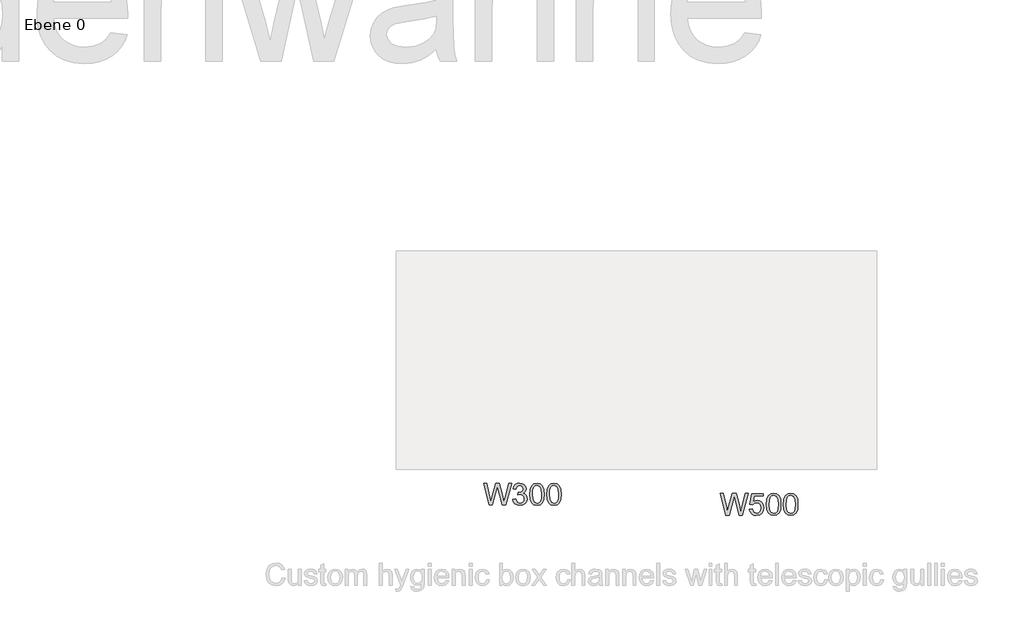
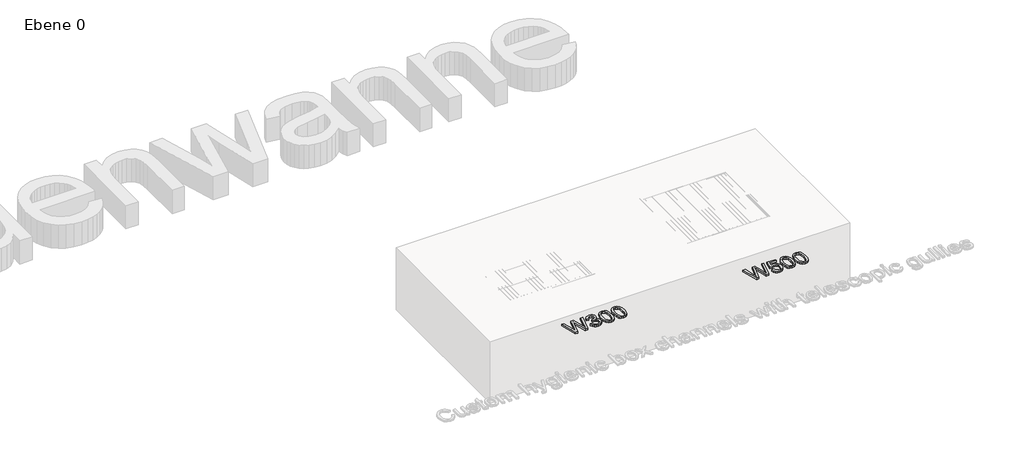
# One storey, part 4 of 4: 2 proxies.
"""IFC4 building model written with IfcOpenShell, lengths in millimetres."""

from ifc_helpers import new_model, si_unit, origin, origin_with_axes, place, context, project, spatial, polyline, outline, extrude, element, save

model = new_model("IFC4")

# Units and contexts
model_context = context("Model", 3, world=origin())
ifc_project = project(units=[si_unit("LENGTHUNIT", "METRE", prefix="MILLI")], contexts=[model_context])

# Site, building, storey
site = spatial("IfcSite", under=ifc_project)
building = spatial("IfcBuilding", under=site)
storey = spatial("IfcBuildingStorey", under=building, Name="Ebene 0", Elevation=0.0)

# Proxies
placement = place(None, origin())
element("IfcBuildingElementProxy", 1, Name="100mm ACO", ObjectType="100mm ACO", at=placement, inside=storey, context=model_context, shape_type="SweptSolid", body=[
    extrude(outline(polyline([(7974.0697501, -4008.1587209), (7947.9123427, -4108.1587209), (7932.0558612, -4108.1587209), (7912.177389, -4029.3103413), (7910.1808612, -4020.1089524), (7907.171602, -4031.9723783), (7886.2225279, -4108.1587209), (7872.333639, -4108.1587209), (7846.2919724, -4008.1587209), (7859.6021575, -4008.1587209), (7874.7352594, -4073.8415913), (7878.5547038, -4092.8230727), (7883.2132687, -4075.6645079), (7902.0790094, -4008.1587209), (7918.427389, -4008.1587209), (7932.1137316, -4058.7663598), (7939.5500742, -4094.269832), (7944.671602, -4072.4816376), (7960.7016946, -4008.1587209), (7974.0697501, -4008.1587209)])), origin_with_axes(), (0.0, 0.0, 1.0), 10.0),
    extrude(outline(polyline([(8027.1079446, -4054.5562903), (8035.437661, -4057.7934142), (8041.4453288, -4063.5840681), (8046.2919724, -4079.107795), (8043.7673774, -4091.4160994), (8036.1935927, -4101.3155496), (8025.104183, -4107.836817), (8012.0327131, -4110.0105727), (7999.7533439, -4108.0936167), (7989.8249585, -4102.3427487), (7982.8985985, -4093.4451792), (7979.6253057, -4082.088119), (7992.5882687, -4080.3809431), (7999.4169724, -4095.6731885), (8012.4667409, -4100.7513135), (8020.5360406, -4099.2249825), (8027.2670881, -4094.6459894), (8031.8135291, -4087.8534547), (8033.3290094, -4079.6864987), (8031.9075684, -4071.9282521), (8027.6432455, -4065.6095311), (8021.0858092, -4061.4103123), (8012.7850279, -4060.0105727), (8003.6993798, -4061.8624246), (8005.146139, -4050.7513135), (8013.0165094, -4050.2594153), (8019.4979909, -4047.857795), (8025.4297038, -4042.389045), (8027.7734538, -4033.5638135), (8022.9846807, -4021.6425172), (8011.8880372, -4017.4179802), (8000.1548196, -4022.2212209), (7994.4401205, -4035.9364987), (7981.4771575, -4033.7084894), (7985.3146865, -4022.5214234), (7992.0240325, -4014.5389292), (8000.9686217, -4009.753773), (8011.5118798, -4008.1587209), (8022.9774469, -4010.0503586), (8032.3741483, -4015.7252718), (8038.6458497, -4024.13456), (8040.7364168, -4034.2293227), (8037.3292987, -4046.295295), (8027.1079446, -4054.5562903)])), origin_with_axes(), (0.0, 0.0, 1.0), 10.0),
    extrude(outline(polyline([(8090.7074816, -4008.1587209), (8105.3034741, -4011.3452082), (8115.729183, -4020.90467), (8121.9846084, -4036.8371063), (8124.0697501, -4059.1425172), (8121.9140788, -4081.6143054), (8115.4470649, -4097.46717), (8104.9508265, -4106.8747221), (8090.7074816, -4110.0105727), (8076.1368074, -4106.8313193), (8065.729183, -4097.2935589), (8059.4846084, -4081.3972915), (8057.4030835, -4059.1425172), (8059.5587548, -4036.6743459), (8066.0257687, -4020.7744616), (8076.5075395, -4011.3126561), (8090.7074816, -4008.1587209)]), holes=[polyline([(8090.7364168, -4100.7513135), (8099.5761159, -4098.317141), (8105.9563242, -4091.0146237), (8109.8191714, -4078.1782521), (8111.1067872, -4059.1425172), (8108.8498427, -4034.9237672), (8102.0356066, -4021.7582579), (8090.5917409, -4017.4179802), (8081.7701263, -4019.8955554), (8075.4441714, -4027.3282811), (8071.6355777, -4040.2369906), (8070.3660464, -4059.1425172), (8072.6663937, -4083.2021237), (8079.4806298, -4096.4110357), (8090.7364168, -4100.7513135)])]), origin_with_axes(), (0.0, 0.0, 1.0), 10.0),
    extrude(outline(polyline([(8168.4852594, -4008.1587209), (8183.0812519, -4011.3452082), (8193.5069608, -4020.90467), (8199.7623861, -4036.8371063), (8201.8475279, -4059.1425172), (8199.6918566, -4081.6143054), (8193.2248427, -4097.46717), (8182.7286043, -4106.8747221), (8168.4852594, -4110.0105727), (8153.9145852, -4106.8313193), (8143.5069608, -4097.2935589), (8137.2623861, -4081.3972915), (8135.1808612, -4059.1425172), (8137.3365325, -4036.6743459), (8143.8035464, -4020.7744616), (8154.2853173, -4011.3126561), (8168.4852594, -4008.1587209)]), holes=[polyline([(8168.5141946, -4100.7513135), (8177.3538937, -4098.317141), (8183.734102, -4091.0146237), (8187.5969492, -4078.1782521), (8188.8845649, -4059.1425172), (8186.6276205, -4034.9237672), (8179.8133844, -4021.7582579), (8168.3695187, -4017.4179802), (8159.5479041, -4019.8955554), (8153.2219492, -4027.3282811), (8149.4133555, -4040.2369906), (8148.1438242, -4059.1425172), (8150.4441714, -4083.2021237), (8157.2584075, -4096.4110357), (8168.5141946, -4100.7513135)])]), origin_with_axes(), (0.0, 0.0, 1.0), 10.0),
])
element("IfcBuildingElementProxy", 2, Name="100mm ACO", ObjectType="100mm ACO", at=placement, inside=storey, context=model_context, shape_type="SweptSolid", body=[
    extrude(outline(polyline([(9057.2232013, -4054.4578725), (9031.0657939, -4154.4578725), (9015.2093124, -4154.4578725), (8995.3308402, -4075.6094928), (8993.3343124, -4066.4081039), (8990.3250531, -4078.2715299), (8969.375979, -4154.4578725), (8955.4870902, -4154.4578725), (8929.4454235, -4054.4578725), (8942.7556087, -4054.4578725), (8957.8887105, -4120.1407428), (8961.708155, -4139.1222243), (8966.3667198, -4121.9636595), (8985.2324605, -4054.4578725), (9001.5808402, -4054.4578725), (9015.2671828, -4105.0655114), (9022.7035253, -4140.5689836), (9027.8250531, -4118.7807891), (9043.8551457, -4054.4578725), (9057.2232013, -4054.4578725)])), origin_with_axes(), (0.0, 0.0, 1.0), 10.0),
    extrude(outline(polyline([(9080.2556087, -4092.3340299), (9098.9188031, -4087.7912058), (9110.4024547, -4090.0155982), (9120.3163726, -4096.6887752), (9127.1631608, -4107.065656), (9129.4454235, -4120.4011595), (9127.0763552, -4134.2394118), (9119.9691503, -4145.8351873), (9109.0207996, -4153.6910901), (9095.1282939, -4156.3097243), (9083.3878425, -4154.5012752), (9073.3400994, -4149.075928), (9066.0990693, -4140.1060206), (9062.7787568, -4127.663891), (9075.7417198, -4126.6800947), (9082.5125531, -4142.0012752), (9095.2729698, -4147.0504651), (9103.8377846, -4145.1769118), (9110.6086179, -4139.5562521), (9115.0139999, -4131.1939836), (9116.4824605, -4121.0956039), (9115.010383, -4111.1274326), (9110.5941503, -4103.5030114), (9103.8631029, -4098.6636016), (9095.4465809, -4097.0504651), (9085.109486, -4099.4014489), (9077.4778309, -4106.4544002), (9064.6306087, -4104.9497706), (9074.3238957, -4056.3097243), (9125.7417198, -4056.3097243), (9125.7417198, -4065.5689836), (9085.6086179, -4065.5689836), (9080.2556087, -4092.3340299)])), origin_with_axes(), (0.0, 0.0, 1.0), 10.0),
    extrude(outline(polyline([(9173.8609328, -4054.4578725), (9188.4569252, -4057.6443597), (9198.8826341, -4067.2038215), (9205.1380595, -4083.1362579), (9207.2232013, -4105.4416688), (9205.06753, -4127.913457), (9198.6005161, -4143.7663215), (9188.1042777, -4153.1738736), (9173.8609328, -4156.3097243), (9159.2902586, -4153.1304708), (9148.8826341, -4143.5927104), (9142.6380595, -4127.6964431), (9140.5565346, -4105.4416688), (9142.7122059, -4082.9734975), (9149.1792198, -4067.0736132), (9159.6609906, -4057.6118076), (9173.8609328, -4054.4578725)]), holes=[polyline([(9173.8898679, -4147.0504651), (9182.729567, -4144.6162926), (9189.1097753, -4137.3137752), (9192.9726226, -4124.4774037), (9194.2602383, -4105.4416688), (9192.0032939, -4081.2229188), (9185.1890578, -4068.0574095), (9173.745192, -4063.7171317), (9164.9235774, -4066.194707), (9158.5976226, -4073.6274326), (9154.7890288, -4086.5361421), (9153.5194976, -4105.4416688), (9155.8198448, -4129.5012752), (9162.6340809, -4142.7101873), (9173.8898679, -4147.0504651)])]), origin_with_axes(), (0.0, 0.0, 1.0), 10.0),
    extrude(outline(polyline([(9251.6387105, -4054.4578725), (9266.234703, -4057.6443597), (9276.6604119, -4067.2038215), (9282.9158373, -4083.1362579), (9285.000979, -4105.4416688), (9282.8453078, -4127.913457), (9276.3782939, -4143.7663215), (9265.8820554, -4153.1738736), (9251.6387105, -4156.3097243), (9237.0680363, -4153.1304708), (9226.6604119, -4143.5927104), (9220.4158373, -4127.6964431), (9218.3343124, -4105.4416688), (9220.4899837, -4082.9734975), (9226.9569976, -4067.0736132), (9237.4387684, -4057.6118076), (9251.6387105, -4054.4578725)]), holes=[polyline([(9251.6676457, -4147.0504651), (9260.5073448, -4144.6162926), (9266.8875531, -4137.3137752), (9270.7504003, -4124.4774037), (9272.0380161, -4105.4416688), (9269.7810716, -4081.2229188), (9262.9668355, -4068.0574095), (9251.5229698, -4063.7171317), (9242.7013552, -4066.194707), (9236.3754003, -4073.6274326), (9232.5668066, -4086.5361421), (9231.2972753, -4105.4416688), (9233.5976226, -4129.5012752), (9240.4118587, -4142.7101873), (9251.6676457, -4147.0504651)])]), origin_with_axes(), (0.0, 0.0, 1.0), 10.0),
])

save(model, "model.ifc")
